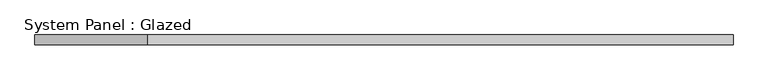
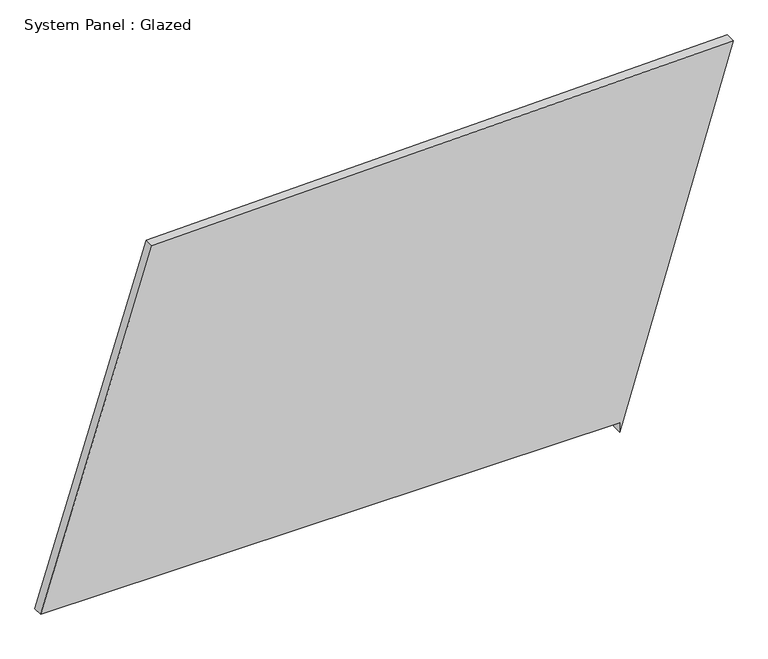
"""IFC4 building model written with IfcOpenShell, lengths in millimetres: plate geometry, System Panel : Glazed."""

from ifc_helpers import new_model, si_unit, frame, origin, place, context, project, spatial, polyline, outline, extrude, source, transform, mapped, element, save


def system_panel_glazed_1da9c5c8(model_context):
    return source(origin(), model_context, "Body", "SweptSolid", [
        extrude(outline(polyline([(25.0, 585.8440154), (0.0, 585.8440154), (941.930943, 871.6129434), (908.0699051, -591.4806289), (25.0, -871.6129434), (25.0, 585.8440154)])), frame((0.0, -49.5, 0.0), z_axis=(0.0, 1.0, 0.0), x_axis=(0.0, 0.0, 1.0)), (0.0, 0.0, 1.0), 25.0),
    ])


if __name__ == "__main__":
    model = new_model("IFC4")
    model_context = context("Model", 3, world=origin())
    ifc_project = project(units=[si_unit("LENGTHUNIT", "METRE", prefix="MILLI")], contexts=[model_context])
    site = spatial("IfcSite", under=ifc_project)
    building = spatial("IfcBuilding", under=site)
    placement = place(None, origin())
    system_panel_glazed_shape = system_panel_glazed_1da9c5c8(model_context)
    element("IfcPlate", 1, ObjectType="System Panel : Glazed", at=placement, inside=building, context=model_context, shape_type="MappedRepresentation", body=[
        mapped(system_panel_glazed_shape, transform((0.0, 0.0, 0.0), x_axis=(1.0, 0.0, 0.0), y_axis=(0.0, 1.0, 0.0), z_axis=(0.0, 0.0, 1.0))),
    ])
    save(model, "model.ifc")
